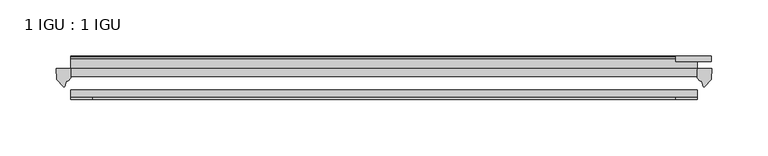
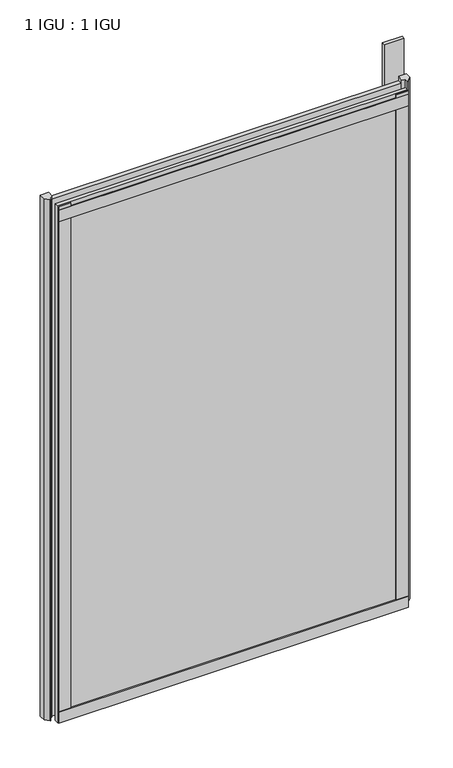
"""IFC4 building model written with IfcOpenShell, lengths in millimetres: plate geometry, 1 IGU : 1 IGU."""

from ifc_helpers import new_model, si_unit, point, frame, frame_2d, origin, place, context, project, spatial, polyline, circle_curve, trimmed, segment, composite_curve, outline, extrude, source, transform, mapped, element, save


def plate_1_igu_1_igu_fdc239b0(model_context):
    return source(origin(), model_context, "Body", "SweptSolid", [
        extrude(outline(polyline([(278.9031125, -11.6085937), (278.9031125, -18.8576359), (-278.9031125, -18.8576359), (-278.9031125, -11.6085937), (278.9031125, -11.6085937)])), frame((0.0, 0.0, -19.05), z_axis=(0.0, 0.0, 1.0), x_axis=(1.0, 0.0, 0.0)), (0.0, 0.0, 1.0), 869.9499998),
        extrude(outline(polyline([(-278.9031125, -30.7093937), (278.9031125, -30.7093937), (278.9031125, -37.0085937), (-278.9031125, -37.0085937), (-278.9031125, -30.7093937)])), frame((0.0, 0.0, -19.05), z_axis=(0.0, 0.0, 1.0), x_axis=(1.0, 0.0, 0.0)), (0.0, 0.0, 1.0), 869.9499998),
        extrude(outline(polyline([(291.6031125, -0.4960937), (291.6031125, -5.3578125), (259.8531125, -5.3578125), (259.8531125, -0.4960937), (291.6031125, -0.4960937)])), frame((0.0, 0.0, -28.575), z_axis=(0.0, 0.0, 1.0), x_axis=(1.0, 0.0, 0.0)), (0.0, 0.0, 1.0), 28.575),
        extrude(outline(polyline([(259.8531125, -5.3578125), (259.8531125, -0.4960937), (291.6031125, -0.4960937), (291.6031125, -5.3578125), (259.8531125, -5.3578125)])), frame((0.0, 0.0, 825.4999998), z_axis=(0.0, 0.0, 1.0), x_axis=(1.0, 0.0, 0.0)), (0.0, 0.0, 1.0), 88.9),
        extrude(outline(composite_curve([segment(polyline([(291.9810216, -11.6101465), (291.6031125, -21.3502133), (285.6650592, -27.6095865)]), True, "CONTINUOUS"), segment(trimmed(circle_curve(frame_2d((284.9922532, -27.2518492)), 0.762), [point((285.6650592, -27.6095865))], [point((284.2635489, -27.4746364))], False, "CARTESIAN"), True, "CONTINUOUS"), segment(polyline([(284.2635489, -27.4746364), (283.0017144, -23.3488397)]), True, "CONTINUOUS"), segment(trimmed(circle_curve(frame_2d((285.1836715, -16.3834724)), 7.2991286), [point((283.0017144, -23.3488397))], [point((278.9032911, -20.1028944))], False, "CARTESIAN"), True, "CONTINUOUS"), segment(polyline([(278.9032911, -20.1028944), (278.9032911, -12.664425)]), True, "CONTINUOUS"), segment(trimmed(circle_curve(frame_2d((285.1845456, -16.3827796)), 7.2993369), [point((278.9032911, -12.664425))], [point((279.6616575, -11.6101465))], False, "CARTESIAN"), True, "CONTINUOUS"), segment(polyline([(279.6616575, -11.6101465), (291.9810216, -11.6101465)]), True, "CONTINUOUS")], self_intersect=False)), frame((0.0, 0.0, -19.05), z_axis=(0.0, 0.0, 1.0), x_axis=(1.0, 0.0, 0.0)), (0.0, 0.0, 1.0), 877.0873998),
        extrude(outline(composite_curve([segment(polyline([(-278.9031125, -11.610702), (-278.9031125, -20.1014769)]), True, "CONTINUOUS"), segment(trimmed(circle_curve(frame_2d((-285.1843068, -16.3829847)), 7.2993552), [point((-278.9031125, -20.1014769))], [point((-283.0020623, -23.3484994))], False, "CARTESIAN"), True, "CONTINUOUS"), segment(polyline([(-283.0020623, -23.3484994), (-284.2635489, -27.4746364)]), True, "CONTINUOUS"), segment(trimmed(circle_curve(frame_2d((-284.9922532, -27.2518492)), 0.762), [point((-284.2635489, -27.4746364))], [point((-285.6650592, -27.6095865))], False, "CARTESIAN"), True, "CONTINUOUS"), segment(polyline([(-285.6650592, -27.6095865), (-291.6031125, -21.3502133), (-291.9810216, -11.610702), (-278.9031125, -11.610702)]), True, "CONTINUOUS")], self_intersect=False)), frame((0.0, 0.0, -19.05), z_axis=(0.0, 0.0, 1.0), x_axis=(1.0, 0.0, 0.0)), (0.0, 0.0, 1.0), 877.0873998),
        extrude(outline(polyline([(-278.9031125, -39.2945937), (-278.9031125, -37.0085937), (278.9031125, -37.0085937), (278.9031125, -39.2945937), (-278.9031125, -39.2945937)])), frame((0.0, 0.0, -19.05), z_axis=(0.0, 0.0, 1.0), x_axis=(1.0, 0.0, 0.0)), (0.0, 0.0, 1.0), 19.05),
        extrude(outline(composite_curve([segment(trimmed(circle_curve(frame_2d((-2.5575611, 32.8538976)), 31.3272753), [point((-11.6085937, 2.8626158))], [point((-2.2024699, 1.5286348))], True, "CARTESIAN"), True, "CONTINUOUS"), segment(polyline([(-2.2024699, 1.5286348), (-2.2024699, 0.0), (-5.2585937, 0.0), (-5.2585937, -5.2345509), (-3.3544944, -5.5797863), (-5.2585937, -8.255), (-5.2585937, -11.471876)]), True, "CONTINUOUS"), segment(trimmed(circle_curve(frame_2d((-6.5285937, -11.471876)), 1.27), [point((-5.2585937, -11.471876))], [point((-7.4547667, -12.340843))], False, "CARTESIAN"), True, "CONTINUOUS"), segment(polyline([(-7.4547667, -12.340843), (-11.6085937, -7.9135609), (-11.6085937, 2.8626158)]), True, "CONTINUOUS")], self_intersect=False)), frame((-278.9031125, 0.0, 0.0), z_axis=(1.0, 0.0, 0.0), x_axis=(0.0, 1.0, 0.0)), (0.0, 0.0, 1.0), 557.806225),
        extrude(outline(composite_curve([segment(polyline([(-3.0995937, 840.8194211), (-3.0995937, 838.7874211), (-5.2585937, 838.7874211), (-5.2585937, 833.4534211), (-1.5755937, 833.4534211), (-1.5755937, 830.4054211), (-5.2585937, 830.4054211), (-5.2585937, 825.5794211), (-0.5298657, 826.2440005), (-0.4061408, 825.3636522)]), True, "CONTINUOUS"), segment(trimmed(circle_curve(frame_2d((-1.4122531, 825.2222523)), 1.016), [point((-0.4061408, 825.3636522))], [point((-1.2708533, 824.21614))], False, "CARTESIAN"), True, "CONTINUOUS"), segment(polyline([(-1.2708533, 824.21614), (-11.6085937, 822.7632653), (-11.6085937, 840.8194211), (-3.0995937, 840.8194211)]), True, "CONTINUOUS")], self_intersect=False)), frame((-278.9031125, 0.0, 0.0), z_axis=(1.0, 0.0, 0.0), x_axis=(0.0, 1.0, 0.0)), (0.0, 0.0, 1.0), 557.806225),
        extrude(outline(polyline([(-278.9031125, -39.2945937), (-278.9031125, -37.0085937), (278.9031125, -37.0085937), (278.9031125, -39.2945937), (-278.9031125, -39.2945937)])), frame((0.0, 0.0, 825.4999998), z_axis=(0.0, 0.0, 1.0), x_axis=(1.0, 0.0, 0.0)), (0.0, 0.0, 1.0), 19.05),
        extrude(outline(polyline([(259.8531125, -37.0085937), (278.9031125, -37.0085937), (278.9031125, -39.2945938), (259.8531125, -39.2945938), (259.8531125, -37.0085937)])), frame((0.0, 0.0, -19.05), z_axis=(0.0, 0.0, 1.0), x_axis=(1.0, 0.0, 0.0)), (0.0, 0.0, 1.0), 869.9499998),
        extrude(outline(polyline([(-278.9031125, -39.2945937), (-278.9031125, -37.0085937), (-259.8531125, -37.0085937), (-259.8531125, -39.2945937), (-278.9031125, -39.2945937)])), frame((0.0, 0.0, -19.05), z_axis=(0.0, 0.0, 1.0), x_axis=(1.0, 0.0, 0.0)), (0.0, 0.0, 1.0), 869.9499998),
    ])


if __name__ == "__main__":
    model = new_model("IFC4")
    model_context = context("Model", 3, world=origin())
    ifc_project = project(units=[si_unit("LENGTHUNIT", "METRE", prefix="MILLI")], contexts=[model_context])
    site = spatial("IfcSite", under=ifc_project)
    building = spatial("IfcBuilding", under=site)
    placement = place(None, origin())
    plate_1_igu_1_igu_shape = plate_1_igu_1_igu_fdc239b0(model_context)
    element("IfcPlate", 1, ObjectType="1 IGU : 1 IGU", at=placement, inside=building, context=model_context, shape_type="MappedRepresentation", body=[
        mapped(plate_1_igu_1_igu_shape, transform((0.0, 0.0, 0.0), x_axis=(1.0, 0.0, 0.0), y_axis=(0.0, 1.0, 0.0), z_axis=(0.0, 0.0, 1.0))),
    ])
    save(model, "model.ifc")
